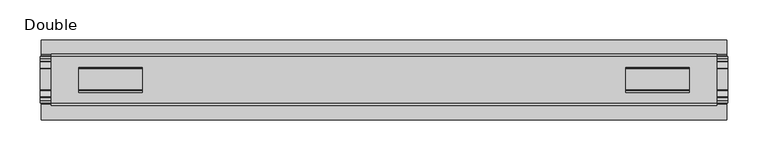
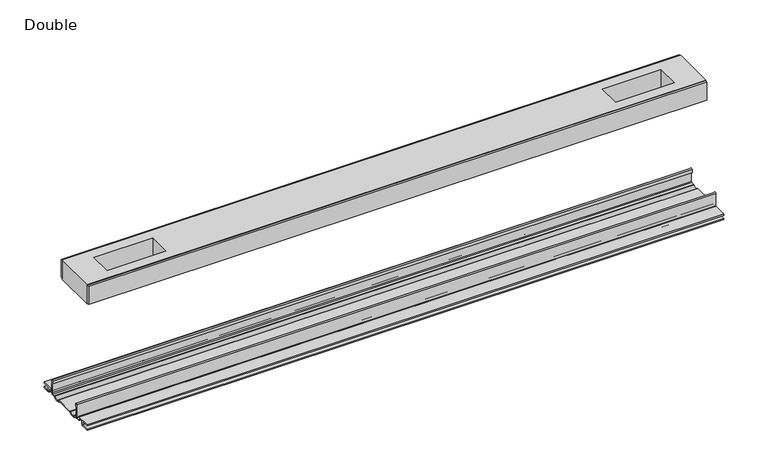
"""IFC4 building model written with IfcOpenShell, lengths in millimetres: proxy geometry, Double."""

from ifc_helpers import new_model, si_unit, point, frame, frame_2d, origin, place, context, project, spatial, polyline, circle_curve, trimmed, segment, composite_curve, outline, extrude, source, transform, mapped, element, save


def double_41ed11e7(model_context):
    return source(origin(), model_context, "Body", "SweptSolid", [
        extrude(outline(polyline([(415.8615091, -29.0068005), (415.8615091, -32.1817997), (-415.8615091, -32.1817997), (-415.8615091, -29.0068005), (415.8615091, -29.0068005)])), frame((0.0, 0.0, 149.8401622), z_axis=(0.0, 0.0, 1.0), x_axis=(1.0, 0.0, 0.0)), (0.0, 0.0, 1.0), 25.3999939),
        extrude(outline(polyline([(415.8615091, 32.1817997), (415.8615091, 29.0068005), (-415.8615091, 29.0068005), (-415.8615091, 32.1817997), (415.8615091, 32.1817997)])), frame((0.0, 0.0, 149.8401622), z_axis=(0.0, 0.0, 1.0), x_axis=(1.0, 0.0, 0.0)), (0.0, 0.0, 1.0), 25.3999939),
        extrude(outline(polyline([(415.8615091, 29.0068005), (415.8615091, -29.0068005), (-415.8615091, -29.0068005), (-415.8615091, 29.0068005), (415.8615091, 29.0068005)]), holes=[polyline([(381.4444965, 15.1130038), (302.3996847, 15.1130038), (302.3996847, -15.875003), (381.4444965, -15.875003), (381.4444965, 15.1130038)]), polyline([(-381.4444965, 15.1130038), (-381.4444965, -15.875003), (-302.3996847, -15.875003), (-302.3996847, 15.1130038), (-381.4444965, 15.1130038)])]), frame((0.0, 0.0, 148.4185847), z_axis=(0.0, 0.0, 1.0), x_axis=(1.0, 0.0, 0.0)), (0.0, 0.0, 1.0), 27.9999988),
        extrude(outline(composite_curve([segment(polyline([(-28.8162961, -7.7516037), (-28.8162961, 9.8607558)]), True, "CONTINUOUS"), segment(trimmed(circle_curve(frame_2d((-27.5970982, 9.8607558)), 1.2191979), [point((-28.8162961, 9.8607558))], [point((-26.3779003, 9.8607558))], False, "CARTESIAN"), True, "CONTINUOUS"), segment(polyline([(-26.3779003, 9.8607558), (-26.3779003, 5.9999563), (-27.6580769, 5.9999563), (-27.6580769, -7.7516037)]), True, "CONTINUOUS"), segment(trimmed(circle_curve(frame_2d((-26.6420561, -7.7516037)), 1.0160208), [point((-27.6580769, -7.7516037))], [point((-26.6485732, -8.7676036))], True, "CARTESIAN"), True, "CONTINUOUS"), segment(polyline([(-26.6485732, -8.7676036), (-22.7056226, -8.7676036), (-21.7922609, -8.968753)]), True, "CONTINUOUS"), segment(trimmed(circle_curve(frame_2d((-17.7673021, -6.1259382)), 4.9276657), [point((-21.7922609, -8.968753))], [point((-13.7423434, -8.968753))], True, "CARTESIAN"), True, "CONTINUOUS"), segment(polyline([(-13.7423434, -8.968753), (-12.8289726, -8.7676036), (13.2099722, -8.7676036), (14.123343, -8.968753)]), True, "CONTINUOUS"), segment(trimmed(circle_curve(frame_2d((18.1483018, -6.1259382)), 4.9276657), [point((14.123343, -8.968753))], [point((22.1732605, -8.968753))], True, "CARTESIAN"), True, "CONTINUOUS"), segment(polyline([(22.1732605, -8.968753), (23.0866222, -8.7676036), (27.0295728, -8.7676036)]), True, "CONTINUOUS"), segment(trimmed(circle_curve(frame_2d((27.0230557, -7.7516037)), 1.0160208), [point((27.0295728, -8.7676036))], [point((28.0390765, -7.7516037))], True, "CARTESIAN"), True, "CONTINUOUS"), segment(polyline([(28.0390765, -7.7516037), (28.0390765, 5.9999563), (26.7588999, 5.9999563), (26.7588999, 9.8607558)]), True, "CONTINUOUS"), segment(trimmed(circle_curve(frame_2d((27.9780978, 9.8607558)), 1.2191979), [point((26.7588999, 9.8607558))], [point((29.1972958, 9.8607558))], False, "CARTESIAN"), True, "CONTINUOUS"), segment(polyline([(29.1972958, 9.8607558), (29.1972958, -7.7516037)]), True, "CONTINUOUS"), segment(trimmed(circle_curve(frame_2d((27.0230557, -7.7516037)), 2.17424), [point((29.1972958, -7.7516037))], [point((27.0230557, -9.9258438))], False, "CARTESIAN"), True, "CONTINUOUS"), segment(polyline([(27.0230557, -9.9258438), (22.732069, -9.9258438)]), True, "CONTINUOUS"), segment(trimmed(circle_curve(frame_2d((18.1516545, -6.4800016)), 5.7318431), [point((22.732069, -9.9258438))], [point((13.57124, -9.9258438))], False, "CARTESIAN"), True, "CONTINUOUS"), segment(polyline([(13.57124, -9.9258438), (-13.1902404, -9.9258438)]), True, "CONTINUOUS"), segment(trimmed(circle_curve(frame_2d((-17.7706549, -6.4800016)), 5.7318431), [point((-13.1902404, -9.9258438))], [point((-22.3510694, -9.9258438))], False, "CARTESIAN"), True, "CONTINUOUS"), segment(polyline([(-22.3510694, -9.9258438), (-26.6420561, -9.9258438)]), True, "CONTINUOUS"), segment(trimmed(circle_curve(frame_2d((-26.6420561, -7.7516037)), 2.17424), [point((-26.6420561, -9.9258438))], [point((-28.8162961, -7.7516037))], False, "CARTESIAN"), True, "CONTINUOUS")], self_intersect=False)), frame((-429.9204, 0.0, 0.0), z_axis=(1.0, 0.0, 0.0), x_axis=(0.0, 1.0, 0.0)), (0.0, 0.0, 1.0), 859.8408),
        extrude(outline(composite_curve([segment(polyline([(-50.2668422, -13.9898438), (-50.2240211, -12.3388438), (-39.7827507, -12.3388438), (-39.7827507, -7.766844), (-50.2240211, -7.766844), (-50.2668422, -6.1158439), (-31.1784975, -6.1158439)]), True, "CONTINUOUS"), segment(trimmed(circle_curve(frame_2d((-31.1784975, -7.6398436)), 1.5239997), [point((-31.1784975, -6.1158439))], [point((-29.6544978, -7.6398436))], False, "CARTESIAN"), True, "CONTINUOUS"), segment(polyline([(-29.6544978, -7.6398436), (-29.6544978, -9.9258438), (-23.1058344, -9.9258438)]), True, "CONTINUOUS"), segment(trimmed(circle_curve(frame_2d((-17.7673021, -5.2268471)), 7.1119966), [point((-23.1058344, -9.9258438))], [point((-12.4287699, -9.9258438))], True, "CARTESIAN"), True, "CONTINUOUS"), segment(polyline([(-12.4287699, -9.9258438), (12.8097695, -9.9258438)]), True, "CONTINUOUS"), segment(trimmed(circle_curve(frame_2d((18.1483018, -5.2268471)), 7.1119966), [point((12.8097695, -9.9258438))], [point((23.486834, -9.9258438))], True, "CARTESIAN"), True, "CONTINUOUS"), segment(polyline([(23.486834, -9.9258438), (30.0354975, -9.9258438), (30.0354975, -7.7656583)]), True, "CONTINUOUS"), segment(trimmed(circle_curve(frame_2d((31.6864982, -7.7656583)), 1.6510007), [point((30.0354975, -7.7656583))], [point((31.6239218, -6.1158439))], False, "CARTESIAN"), True, "CONTINUOUS"), segment(polyline([(31.6239218, -6.1158439), (50.00625, -6.1158439), (50.00625, -7.766844), (40.1637503, -7.766844), (40.1637503, -12.3388438), (50.00625, -12.3388438), (50.00625, -13.9898438), (40.0367518, -13.9898438)]), True, "CONTINUOUS"), segment(trimmed(circle_curve(frame_2d((40.0367518, -12.4658438)), 1.524), [point((40.0367518, -13.9898438))], [point((38.5127519, -12.4658438))], False, "CARTESIAN"), True, "CONTINUOUS"), segment(polyline([(38.5127519, -12.4658438), (38.5127519, -7.766844), (31.686497, -7.766844), (31.686497, -10.0528438)]), True, "CONTINUOUS"), segment(trimmed(circle_curve(frame_2d((30.1624971, -10.0528438)), 1.524), [point((31.686497, -10.0528438))], [point((30.1624971, -11.5768438))], False, "CARTESIAN"), True, "CONTINUOUS"), segment(polyline([(30.1624971, -11.5768438), (23.6563549, -11.5768438)]), True, "CONTINUOUS"), segment(trimmed(circle_curve(frame_2d((18.1483018, -6.4968436)), 7.4930002), [point((23.6563549, -11.5768438))], [point((12.8904968, -11.8354331))], False, "CARTESIAN"), True, "CONTINUOUS"), segment(polyline([(12.8904968, -11.8354331), (-12.5094972, -11.8354331)]), True, "CONTINUOUS"), segment(trimmed(circle_curve(frame_2d((-17.7673021, -6.4968436)), 7.4930002), [point((-12.5094972, -11.8354331))], [point((-23.2753553, -11.5768438))], False, "CARTESIAN"), True, "CONTINUOUS"), segment(polyline([(-23.2753553, -11.5768438), (-29.7814974, -11.5768438)]), True, "CONTINUOUS"), segment(trimmed(circle_curve(frame_2d((-29.7814974, -10.0528438)), 1.524), [point((-29.7814974, -11.5768438))], [point((-31.3054974, -10.0528438))], False, "CARTESIAN"), True, "CONTINUOUS"), segment(polyline([(-31.3054974, -10.0528438), (-31.3054974, -7.766844), (-38.1317522, -7.766844), (-38.1317522, -12.4658438)]), True, "CONTINUOUS"), segment(trimmed(circle_curve(frame_2d((-39.6557522, -12.4658438)), 1.524), [point((-38.1317522, -12.4658438))], [point((-39.6557522, -13.9898438))], False, "CARTESIAN"), True, "CONTINUOUS"), segment(polyline([(-39.6557522, -13.9898438), (-50.2668422, -13.9898438)]), True, "CONTINUOUS")], self_intersect=False)), frame((-428.2694, 0.0, 0.0), z_axis=(1.0, 0.0, 0.0), x_axis=(0.0, 1.0, 0.0)), (0.0, 0.0, 1.0), 856.5388),
    ])


if __name__ == "__main__":
    model = new_model("IFC4")
    model_context = context("Model", 3, world=origin())
    ifc_project = project(units=[si_unit("LENGTHUNIT", "METRE", prefix="MILLI")], contexts=[model_context])
    site = spatial("IfcSite", under=ifc_project)
    building = spatial("IfcBuilding", under=site)
    placement = place(None, origin())
    double_shape = double_41ed11e7(model_context)
    element("IfcBuildingElementProxy", 1, Name="Double", ObjectType="Double", at=placement, inside=building, context=model_context, shape_type="MappedRepresentation", body=[
        mapped(double_shape, transform((0.0, 0.0, 0.0), x_axis=(1.0, 0.0, 0.0), y_axis=(0.0, 1.0, 0.0), z_axis=(0.0, 0.0, 1.0))),
    ])
    save(model, "model.ifc")
